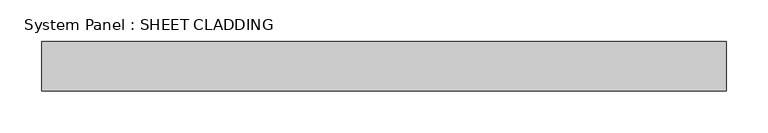
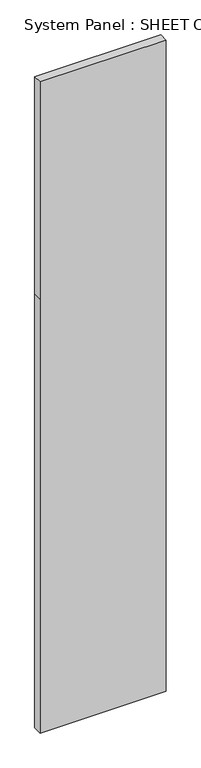
"""IFC4 building model written with IfcOpenShell, lengths in millimetres: plate geometry, System Panel : SHEET CLADDING."""

from ifc_helpers import new_model, si_unit, frame, origin, place, context, project, spatial, polyline, outline, extrude, source, transform, mapped, element, save


def system_panel_sheet_cladding_f5834e2c(model_context):
    return source(origin(), model_context, "Body", "SweptSolid", [
        extrude(outline(polyline([(0.0, -412.5), (0.0, 412.5), (3000.0, 412.5), (4500.0, 412.5), (4500.0, -412.5), (3000.0, -412.5), (0.0, -412.5)])), frame((0.0, -49.5, 0.0), z_axis=(0.0, 1.0, 0.0), x_axis=(0.0, 0.0, 1.0)), (0.0, 0.0, 1.0), 60.0),
    ])


if __name__ == "__main__":
    model = new_model("IFC4")
    model_context = context("Model", 3, world=origin())
    ifc_project = project(units=[si_unit("LENGTHUNIT", "METRE", prefix="MILLI")], contexts=[model_context])
    site = spatial("IfcSite", under=ifc_project)
    building = spatial("IfcBuilding", under=site)
    placement = place(None, origin())
    system_panel_sheet_cladding_shape = system_panel_sheet_cladding_f5834e2c(model_context)
    element("IfcPlate", 1, ObjectType="System Panel : SHEET CLADDING", at=placement, inside=building, context=model_context, shape_type="MappedRepresentation", body=[
        mapped(system_panel_sheet_cladding_shape, transform((0.0, 0.0, 0.0), x_axis=(1.0, 0.0, 0.0), y_axis=(0.0, 1.0, 0.0), z_axis=(0.0, 0.0, 1.0))),
    ])
    save(model, "model.ifc")
